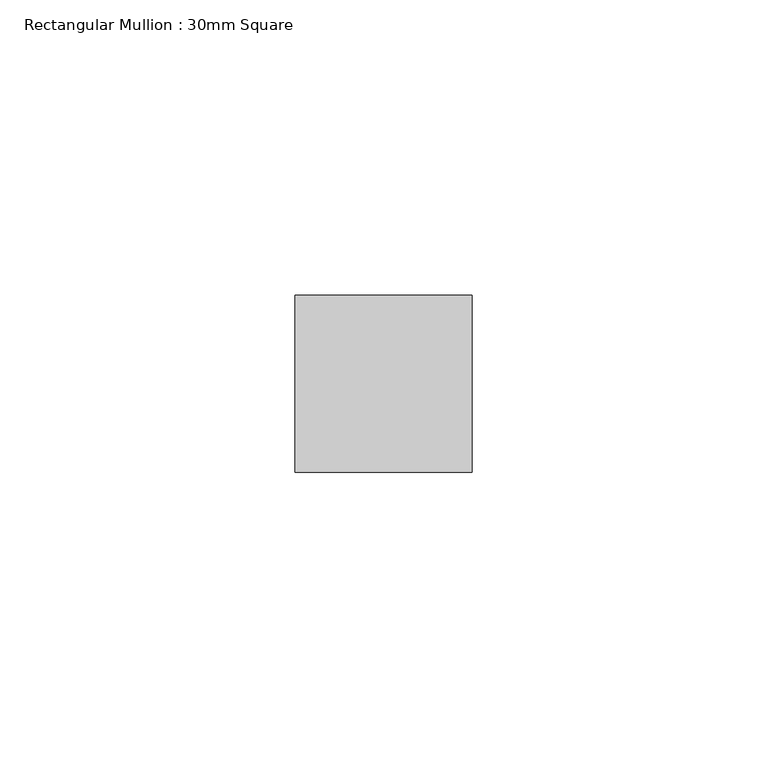
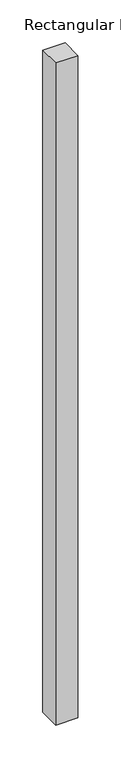
"""IFC4 building model written with IfcOpenShell, lengths in millimetres: member geometry, Rectangular Mullion : 30mm Square."""

from ifc_helpers import new_model, si_unit, frame, origin, place, context, project, spatial, polyline, outline, extrude, source, transform, mapped, element, save


def rectangular_mullion_30mm_square_c3882655(model_context):
    return source(origin(), model_context, "Body", "SweptSolid", [
        extrude(outline(polyline([(15.0, 15.0), (15.0, -15.0), (-15.0, -15.0), (-15.0, 15.0), (15.0, 15.0)])), frame((0.0, 0.0, -944.1958271), z_axis=(0.0, 0.0, 1.0), x_axis=(1.0, 0.0, 0.0)), (0.0, 0.0, 1.0), 944.1958271),
    ])


if __name__ == "__main__":
    model = new_model("IFC4")
    model_context = context("Model", 3, world=origin())
    ifc_project = project(units=[si_unit("LENGTHUNIT", "METRE", prefix="MILLI")], contexts=[model_context])
    site = spatial("IfcSite", under=ifc_project)
    building = spatial("IfcBuilding", under=site)
    placement = place(None, origin())
    rectangular_mullion_30mm_square_shape = rectangular_mullion_30mm_square_c3882655(model_context)
    element("IfcMember", 1, ObjectType="Rectangular Mullion : 30mm Square", at=placement, inside=building, context=model_context, shape_type="MappedRepresentation", body=[
        mapped(rectangular_mullion_30mm_square_shape, transform((0.0, 0.0, 0.0), x_axis=(1.0, 0.0, 0.0), y_axis=(0.0, 1.0, 0.0), z_axis=(0.0, 0.0, 1.0))),
    ])
    save(model, "model.ifc")
